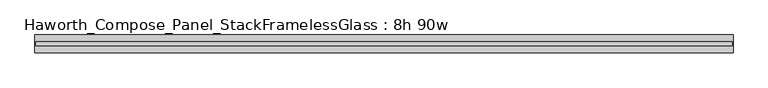
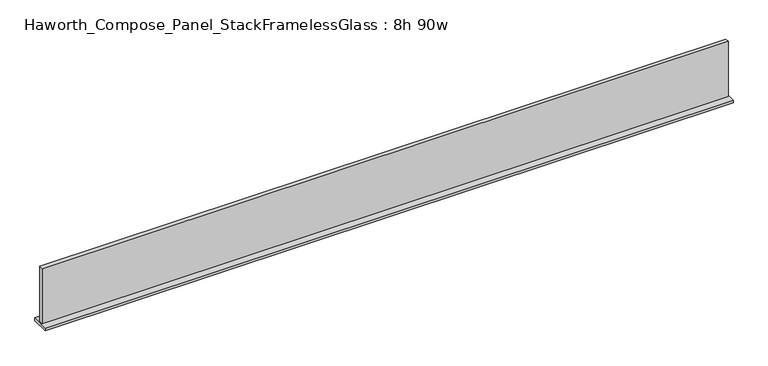
"""IFC4 building model written with IfcOpenShell, lengths in millimetres: furniture geometry, Haworth_Compose_Panel_StackFramelessGlass : 8h 90w."""

import ifcopenshell
import ifcopenshell.guid

model = None  # the IFC model being written
_history = None  # IfcOwnerHistory: only IFC2X3 demands one
_inside = {}  # id of a spatial element -> (the spatial element, [elements in it])
_under = {}  # id of a project, library or spatial element -> (it, [spatial elements below it])
_declared = {}  # id of a project -> (the project, [libraries it declares])
_typed = {}  # id of a type object -> (the type object, [elements of that type])
_made_of = {}  # id of a material, layer set ... -> (it, [elements and type objects made of it])


def new_model(schema):
    """Start an empty IFC model of exactly this schema.

    Asked for "IFC4X3", IfcOpenShell would pick the latest addendum, in which some entities
    have other attributes; the version numbers below select the first issue.
    IFC2X3 requires an IfcOwnerHistory on every rooted entity: one is made here for all.
    """
    global model, _history
    if schema == "IFC4X3":
        model = ifcopenshell.file(schema_version=(4, 3, 0, 0))
    else:
        model = ifcopenshell.file(schema=schema)
    _inside.clear()
    _under.clear()
    _declared.clear()
    _typed.clear()
    _made_of.clear()
    _history = None
    if model.schema == "IFC2X3":
        org = make("IfcOrganization", Name="unknown")
        user = make(
            "IfcPersonAndOrganization",
            ThePerson=make("IfcPerson", FamilyName="unknown"),
            TheOrganization=org,
        )
        app = make(
            "IfcApplication",
            ApplicationDeveloper=org,
            Version="unknown",
            ApplicationFullName="unknown",
            ApplicationIdentifier="unknown",
        )
        _history = make(
            "IfcOwnerHistory",
            OwningUser=user,
            OwningApplication=app,
            ChangeAction="ADDED",
            CreationDate=0,
        )
    return model


def make(cls, **values):
    """One entity of the class cls with the attributes given. An attribute that is None is left unset."""
    return model.create_entity(
        cls, **{name: value for name, value in values.items() if value is not None}
    )


def rooted(cls, **values):
    """An entity with a GlobalId (a new one), such as an element, a storey or a relation."""
    return make(cls, GlobalId=ifcopenshell.guid.new(), OwnerHistory=_history, **values)


def si_unit(unit_type, name, prefix=None):
    """IfcSIUnit, for example si_unit("LENGTHUNIT", "METRE", prefix="MILLI")."""
    return make("IfcSIUnit", UnitType=unit_type, Prefix=prefix, Name=name)


def assignment(units):
    """IfcUnitAssignment: the units of a project."""
    return None if units is None else make("IfcUnitAssignment", Units=units)


def point(xyz):
    """IfcCartesianPoint."""
    return None if xyz is None else make("IfcCartesianPoint", Coordinates=xyz)


def direction(xyz):
    """IfcDirection."""
    return None if xyz is None else make("IfcDirection", DirectionRatios=xyz)


def frame(location, z_axis=None, x_axis=None):
    """IfcAxis2Placement3D, a coordinate frame: its origin and axes. An axis left out is left unset."""
    return make(
        "IfcAxis2Placement3D",
        Location=point(location),
        Axis=direction(z_axis),
        RefDirection=direction(x_axis),
    )


def origin():
    """The frame at (0, 0, 0) with its axes left unset."""
    return frame((0.0, 0.0, 0.0))


def place(relative_to, where):
    """IfcLocalPlacement: puts the frame where relative to a parent placement (None: the world)."""
    return make(
        "IfcLocalPlacement", PlacementRelTo=relative_to, RelativePlacement=where
    )


def context(
    kind, dimensions, precision=None, world=None, true_north=None, identifier=None
):
    """IfcGeometricRepresentationContext, for example the 3D "Model" context."""
    return make(
        "IfcGeometricRepresentationContext",
        ContextIdentifier=identifier,
        ContextType=kind,
        CoordinateSpaceDimension=dimensions,
        Precision=precision,
        WorldCoordinateSystem=world,
        TrueNorth=true_north,
    )


def project(units=None, contexts=None):
    """IfcProject with its units and contexts."""
    return rooted(
        "IfcProject",
        Name="project",
        RepresentationContexts=contexts,
        UnitsInContext=assignment(units),
    )


def spatial(cls, under=None, at=None, **own):
    """A site, building, storey or space (cls), placed at a placement, below another one or the project."""
    s = rooted(cls, ObjectPlacement=at, **own)
    if under is not None:
        _under.setdefault(under.id(), (under, []))[1].append(s)
    return s


def polyline(points):
    """IfcPolyline through the points."""
    return make("IfcPolyline", Points=[point(p) for p in points])


def outline(outer, holes=None, kind="AREA"):
    """IfcArbitraryClosedProfileDef: a profile drawn as a closed curve; with holes, ...WithVoids."""
    if holes is None:
        return make("IfcArbitraryClosedProfileDef", ProfileType=kind, OuterCurve=outer)
    return make(
        "IfcArbitraryProfileDefWithVoids",
        ProfileType=kind,
        OuterCurve=outer,
        InnerCurves=holes,
    )


def extrude(swept, where, along, depth):
    """IfcExtrudedAreaSolid: the profile swept, set in the frame where, extruded along a direction by depth."""
    return make(
        "IfcExtrudedAreaSolid",
        SweptArea=swept,
        Position=where,
        ExtrudedDirection=direction(along),
        Depth=depth,
    )


def shape(context_of_items, identifier, shape_type, items):
    """IfcShapeRepresentation: the items that make up one representation, for example the "Body"."""
    return make(
        "IfcShapeRepresentation",
        ContextOfItems=context_of_items,
        RepresentationIdentifier=identifier,
        RepresentationType=shape_type,
        Items=items,
    )


def source(mapping_origin, context_of_items, identifier, shape_type, items):
    """IfcRepresentationMap: a shape defined once, which mapped items show again and again."""
    return make(
        "IfcRepresentationMap",
        MappingOrigin=mapping_origin,
        MappedRepresentation=shape(context_of_items, identifier, shape_type, items),
    )


def transform(
    local_origin,
    x_axis=None,
    y_axis=None,
    z_axis=None,
    scale=None,
    scale2=None,
    scale3=None,
    uniform=True,
):
    """IfcCartesianTransformationOperator3D, or its non-uniform kind. x_axis, y_axis, z_axis: its Axis1, 2, 3."""
    if uniform:
        return make(
            "IfcCartesianTransformationOperator3D",
            Axis1=direction(x_axis),
            Axis2=direction(y_axis),
            LocalOrigin=point(local_origin),
            Scale=scale,
            Axis3=direction(z_axis),
        )
    return make(
        "IfcCartesianTransformationOperator3DnonUniform",
        Axis1=direction(x_axis),
        Axis2=direction(y_axis),
        LocalOrigin=point(local_origin),
        Scale=scale,
        Axis3=direction(z_axis),
        Scale2=scale2,
        Scale3=scale3,
    )


def mapped(mapping_source, mapping_target):
    """IfcMappedItem: shows the shape of a source again, moved by a transform."""
    return make(
        "IfcMappedItem", MappingSource=mapping_source, MappingTarget=mapping_target
    )


def made_of(thing, what):
    """Note that an element or type object is made of a material, layer set ...; save() writes the relation."""
    if what is not None:
        _made_of.setdefault(what.id(), (what, []))[1].append(thing)
    return thing


def element(
    cls,
    number,
    at=None,
    inside=None,
    cuts=None,
    type_object=None,
    material=None,
    context=None,
    identifier="Body",
    shape_type=None,
    held_by="IfcProductDefinitionShape",
    body=None,
    shapes=None,
    **own,
):
    """One element of the class cls, such as IfcWall. Its Tag is "e" and its number.

    at: its placement. inside: the storey or other place that contains it. cuts: it is an
    opening in that element (IfcRelVoidsElement). A single representation is given by context,
    identifier, shape_type and body (its items); several are given by shapes. held_by: the class
    of the entity that holds the representations. save() writes the other relations.
    """
    e = rooted(cls, Tag="e%d" % number, ObjectPlacement=at, **own)
    if body is not None:
        shapes = [shape(context, identifier, shape_type, body)]
    if shapes is not None:
        e.Representation = make(held_by, Representations=shapes)
    if inside is not None:
        _inside.setdefault(inside.id(), (inside, []))[1].append(e)
    if cuts is not None:
        rooted(
            "IfcRelVoidsElement", RelatingBuildingElement=cuts, RelatedOpeningElement=e
        )
    if type_object is not None:
        _typed.setdefault(type_object.id(), (type_object, []))[1].append(e)
    return made_of(e, material)


def aggregate(whole, parts):
    """IfcRelAggregates: a whole, such as a stair, and the parts it consists of."""
    return rooted("IfcRelAggregates", RelatingObject=whole, RelatedObjects=parts)


def save(model, path):
    """Write the relations noted so far, then the file.

    IfcRelAggregates (storeys below a building ...), IfcRelContainedInSpatialStructure (elements
    in a storey), IfcRelDefinesByType, IfcRelAssociatesMaterial and IfcRelDeclares: one each for
    every whole, place, type object, material and project.
    """
    for whole, parts in _under.values():
        aggregate(whole, parts)
    for where, things in _inside.values():
        rooted(
            "IfcRelContainedInSpatialStructure",
            RelatedElements=things,
            RelatingStructure=where,
        )
    for kind, things in _typed.values():
        rooted("IfcRelDefinesByType", RelatedObjects=things, RelatingType=kind)
    for what, things in _made_of.values():
        rooted("IfcRelAssociatesMaterial", RelatedObjects=things, RelatingMaterial=what)
    for by, libraries in _declared.values():
        rooted("IfcRelDeclares", RelatingContext=by, RelatedDefinitions=libraries)
    model.write(path)


def haworth_compose_panel_stackframelessglass_8h_90w_8c08cf78(model_context):
    return source(origin(), model_context, "Body", "SweptSolid", [
        extrude(outline(polyline([(1142.2652902, -27.3093594), (-1137.3847098, -27.3093594), (-1137.3847098, -14.6093594), (1142.2652902, -14.6093594), (1142.2652902, -27.3093594)])), frame((0.0, 0.0, 1279.525), z_axis=(0.0, 0.0, 1.0), x_axis=(1.0, 0.0, 0.0)), (0.0, 0.0, 1.0), 193.675),
        extrude(outline(polyline([(-1140.5597098, -50.3281094), (-1140.5597098, 8.4093906), (1145.4402902, 8.4093906), (1145.4402902, -50.3281094), (-1140.5597098, -50.3281094)])), frame((0.0, 0.0, 1270.0), z_axis=(0.0, 0.0, 1.0), x_axis=(1.0, 0.0, 0.0)), (0.0, 0.0, 1.0), 9.525),
    ])


if __name__ == "__main__":
    model = new_model("IFC4")
    model_context = context("Model", 3, world=origin())
    ifc_project = project(units=[si_unit("LENGTHUNIT", "METRE", prefix="MILLI")], contexts=[model_context])
    site = spatial("IfcSite", under=ifc_project)
    building = spatial("IfcBuilding", under=site)
    placement = place(None, origin())
    haworth_compose_panel_stackframelessglass_8h_90w_shape = haworth_compose_panel_stackframelessglass_8h_90w_8c08cf78(model_context)
    element("IfcFurniture", 1, ObjectType="Haworth_Compose_Panel_StackFramelessGlass : 8h 90w", at=placement, inside=building, context=model_context, shape_type="MappedRepresentation", body=[
        mapped(haworth_compose_panel_stackframelessglass_8h_90w_shape, transform((0.0, 0.0, 0.0), x_axis=(1.0, 0.0, 0.0), y_axis=(0.0, 1.0, 0.0), z_axis=(0.0, 0.0, 1.0))),
    ])
    save(model, "model.ifc")
